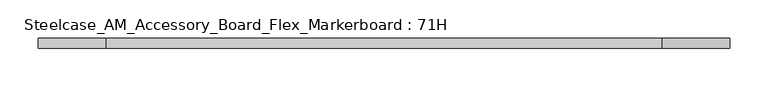
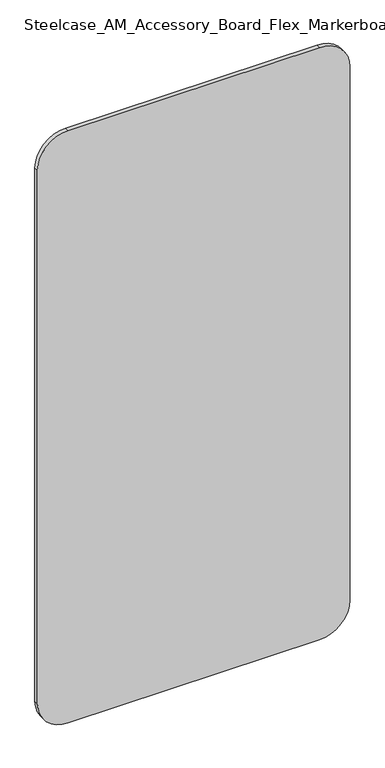
"""IFC4 building model written with IfcOpenShell, lengths in millimetres: furniture geometry, Steelcase_AM_Accessory_Board_Flex_Markerboard : 71H."""

from ifc_helpers import new_model, si_unit, point, frame, frame_2d, origin, place, context, project, spatial, polyline, circle_curve, trimmed, segment, composite_curve, outline, extrude, source, transform, mapped, element, save


def steelcase_am_accessory_board_flex_markerboard_71h_1f985711(model_context):
    return source(origin(), model_context, "Body", "SweptSolid", [
        extrude(outline(composite_curve([segment(polyline([(1803.4, 812.8), (1803.4, 88.9)]), True, "CONTINUOUS"), segment(trimmed(circle_curve(frame_2d((1714.5, 88.9)), 88.9), [point((1803.4, 88.9))], [point((1714.5, 0.0))], False, "CARTESIAN"), True, "CONTINUOUS"), segment(polyline([(1714.5, 0.0), (88.9, 0.0)]), True, "CONTINUOUS"), segment(trimmed(circle_curve(frame_2d((88.9, 88.9)), 88.9), [point((88.9, 0.0))], [point((0.0, 88.9))], False, "CARTESIAN"), True, "CONTINUOUS"), segment(polyline([(0.0, 88.9), (0.0, 812.8)]), True, "CONTINUOUS"), segment(trimmed(circle_curve(frame_2d((88.9, 812.8)), 88.9), [point((0.0, 812.8))], [point((88.9, 901.7))], False, "CARTESIAN"), True, "CONTINUOUS"), segment(polyline([(88.9, 901.7), (1714.5, 901.7)]), True, "CONTINUOUS"), segment(trimmed(circle_curve(frame_2d((1714.5, 812.8)), 88.9), [point((1714.5, 901.7))], [point((1803.4, 812.8))], False, "CARTESIAN"), True, "CONTINUOUS")], self_intersect=False)), frame((0.0, -12.6940107, 0.0), z_axis=(0.0, 1.0, 0.0), x_axis=(0.0, 0.0, 1.0)), (0.0, 0.0, 1.0), 12.6940107),
    ])


if __name__ == "__main__":
    model = new_model("IFC4")
    model_context = context("Model", 3, world=origin())
    ifc_project = project(units=[si_unit("LENGTHUNIT", "METRE", prefix="MILLI")], contexts=[model_context])
    site = spatial("IfcSite", under=ifc_project)
    building = spatial("IfcBuilding", under=site)
    placement = place(None, origin())
    steelcase_am_accessory_board_flex_markerboard_71h_shape = steelcase_am_accessory_board_flex_markerboard_71h_1f985711(model_context)
    element("IfcFurniture", 1, ObjectType="Steelcase_AM_Accessory_Board_Flex_Markerboard : 71H", at=placement, inside=building, context=model_context, shape_type="MappedRepresentation", body=[
        mapped(steelcase_am_accessory_board_flex_markerboard_71h_shape, transform((0.0, 0.0, 0.0), x_axis=(1.0, 0.0, 0.0), y_axis=(0.0, 1.0, 0.0), z_axis=(0.0, 0.0, 1.0))),
    ])
    save(model, "model.ifc")
